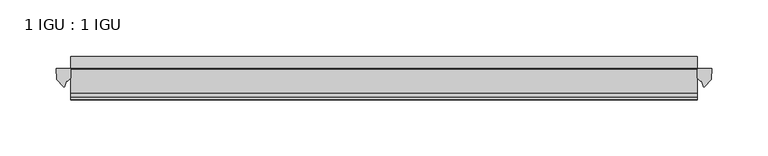
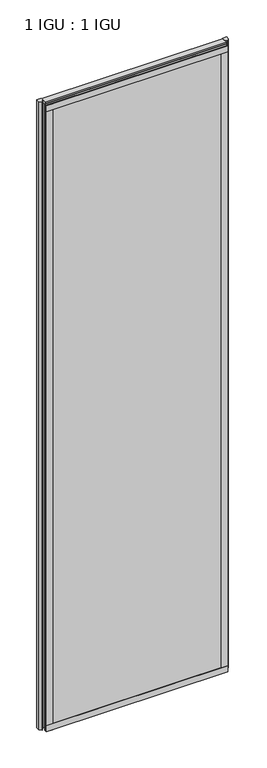
"""IFC4 building model written with IfcOpenShell, lengths in millimetres: plate geometry, 1 IGU : 1 IGU."""

import ifcopenshell
import ifcopenshell.guid

model = None  # the IFC model being written
_history = None  # IfcOwnerHistory: only IFC2X3 demands one
_inside = {}  # id of a spatial element -> (the spatial element, [elements in it])
_under = {}  # id of a project, library or spatial element -> (it, [spatial elements below it])
_declared = {}  # id of a project -> (the project, [libraries it declares])
_typed = {}  # id of a type object -> (the type object, [elements of that type])
_made_of = {}  # id of a material, layer set ... -> (it, [elements and type objects made of it])


def new_model(schema):
    """Start an empty IFC model of exactly this schema.

    Asked for "IFC4X3", IfcOpenShell would pick the latest addendum, in which some entities
    have other attributes; the version numbers below select the first issue.
    IFC2X3 requires an IfcOwnerHistory on every rooted entity: one is made here for all.
    """
    global model, _history
    if schema == "IFC4X3":
        model = ifcopenshell.file(schema_version=(4, 3, 0, 0))
    else:
        model = ifcopenshell.file(schema=schema)
    _inside.clear()
    _under.clear()
    _declared.clear()
    _typed.clear()
    _made_of.clear()
    _history = None
    if model.schema == "IFC2X3":
        org = make("IfcOrganization", Name="unknown")
        user = make(
            "IfcPersonAndOrganization",
            ThePerson=make("IfcPerson", FamilyName="unknown"),
            TheOrganization=org,
        )
        app = make(
            "IfcApplication",
            ApplicationDeveloper=org,
            Version="unknown",
            ApplicationFullName="unknown",
            ApplicationIdentifier="unknown",
        )
        _history = make(
            "IfcOwnerHistory",
            OwningUser=user,
            OwningApplication=app,
            ChangeAction="ADDED",
            CreationDate=0,
        )
    return model


def make(cls, **values):
    """One entity of the class cls with the attributes given. An attribute that is None is left unset."""
    return model.create_entity(
        cls, **{name: value for name, value in values.items() if value is not None}
    )


def rooted(cls, **values):
    """An entity with a GlobalId (a new one), such as an element, a storey or a relation."""
    return make(cls, GlobalId=ifcopenshell.guid.new(), OwnerHistory=_history, **values)


def si_unit(unit_type, name, prefix=None):
    """IfcSIUnit, for example si_unit("LENGTHUNIT", "METRE", prefix="MILLI")."""
    return make("IfcSIUnit", UnitType=unit_type, Prefix=prefix, Name=name)


def assignment(units):
    """IfcUnitAssignment: the units of a project."""
    return None if units is None else make("IfcUnitAssignment", Units=units)


def point(xyz):
    """IfcCartesianPoint."""
    return None if xyz is None else make("IfcCartesianPoint", Coordinates=xyz)


def direction(xyz):
    """IfcDirection."""
    return None if xyz is None else make("IfcDirection", DirectionRatios=xyz)


def frame(location, z_axis=None, x_axis=None):
    """IfcAxis2Placement3D, a coordinate frame: its origin and axes. An axis left out is left unset."""
    return make(
        "IfcAxis2Placement3D",
        Location=point(location),
        Axis=direction(z_axis),
        RefDirection=direction(x_axis),
    )


def frame_2d(location, x_axis=None):
    """IfcAxis2Placement2D, a coordinate frame in the plane: its origin and x axis."""
    return make(
        "IfcAxis2Placement2D", Location=point(location), RefDirection=direction(x_axis)
    )


def origin():
    """The frame at (0, 0, 0) with its axes left unset."""
    return frame((0.0, 0.0, 0.0))


def place(relative_to, where):
    """IfcLocalPlacement: puts the frame where relative to a parent placement (None: the world)."""
    return make(
        "IfcLocalPlacement", PlacementRelTo=relative_to, RelativePlacement=where
    )


def context(
    kind, dimensions, precision=None, world=None, true_north=None, identifier=None
):
    """IfcGeometricRepresentationContext, for example the 3D "Model" context."""
    return make(
        "IfcGeometricRepresentationContext",
        ContextIdentifier=identifier,
        ContextType=kind,
        CoordinateSpaceDimension=dimensions,
        Precision=precision,
        WorldCoordinateSystem=world,
        TrueNorth=true_north,
    )


def project(units=None, contexts=None):
    """IfcProject with its units and contexts."""
    return rooted(
        "IfcProject",
        Name="project",
        RepresentationContexts=contexts,
        UnitsInContext=assignment(units),
    )


def spatial(cls, under=None, at=None, **own):
    """A site, building, storey or space (cls), placed at a placement, below another one or the project."""
    s = rooted(cls, ObjectPlacement=at, **own)
    if under is not None:
        _under.setdefault(under.id(), (under, []))[1].append(s)
    return s


def polyline(points):
    """IfcPolyline through the points."""
    return make("IfcPolyline", Points=[point(p) for p in points])


def circle_curve(where, radius):
    """IfcCircle in the frame where."""
    return make("IfcCircle", Position=where, Radius=radius)


def ellipse_curve(where, semi_axis1, semi_axis2):
    """IfcEllipse in the frame where."""
    return make(
        "IfcEllipse", Position=where, SemiAxis1=semi_axis1, SemiAxis2=semi_axis2
    )


def trimmed(basis, trim1, trim2, sense, master):
    """IfcTrimmedCurve: the piece of a basis curve between two trims."""
    return make(
        "IfcTrimmedCurve",
        BasisCurve=basis,
        Trim1=trim1,
        Trim2=trim2,
        SenseAgreement=sense,
        MasterRepresentation=master,
    )


def segment(curve, same_sense, transition):
    """IfcCompositeCurveSegment."""
    return make(
        "IfcCompositeCurveSegment",
        Transition=transition,
        SameSense=same_sense,
        ParentCurve=curve,
    )


def composite_curve(segments, self_intersect=None):
    """IfcCompositeCurve: segments joined end to end."""
    return make("IfcCompositeCurve", Segments=segments, SelfIntersect=self_intersect)


def outline(outer, holes=None, kind="AREA"):
    """IfcArbitraryClosedProfileDef: a profile drawn as a closed curve; with holes, ...WithVoids."""
    if holes is None:
        return make("IfcArbitraryClosedProfileDef", ProfileType=kind, OuterCurve=outer)
    return make(
        "IfcArbitraryProfileDefWithVoids",
        ProfileType=kind,
        OuterCurve=outer,
        InnerCurves=holes,
    )


def extrude(swept, where, along, depth):
    """IfcExtrudedAreaSolid: the profile swept, set in the frame where, extruded along a direction by depth."""
    return make(
        "IfcExtrudedAreaSolid",
        SweptArea=swept,
        Position=where,
        ExtrudedDirection=direction(along),
        Depth=depth,
    )


def shape(context_of_items, identifier, shape_type, items):
    """IfcShapeRepresentation: the items that make up one representation, for example the "Body"."""
    return make(
        "IfcShapeRepresentation",
        ContextOfItems=context_of_items,
        RepresentationIdentifier=identifier,
        RepresentationType=shape_type,
        Items=items,
    )


def source(mapping_origin, context_of_items, identifier, shape_type, items):
    """IfcRepresentationMap: a shape defined once, which mapped items show again and again."""
    return make(
        "IfcRepresentationMap",
        MappingOrigin=mapping_origin,
        MappedRepresentation=shape(context_of_items, identifier, shape_type, items),
    )


def transform(
    local_origin,
    x_axis=None,
    y_axis=None,
    z_axis=None,
    scale=None,
    scale2=None,
    scale3=None,
    uniform=True,
):
    """IfcCartesianTransformationOperator3D, or its non-uniform kind. x_axis, y_axis, z_axis: its Axis1, 2, 3."""
    if uniform:
        return make(
            "IfcCartesianTransformationOperator3D",
            Axis1=direction(x_axis),
            Axis2=direction(y_axis),
            LocalOrigin=point(local_origin),
            Scale=scale,
            Axis3=direction(z_axis),
        )
    return make(
        "IfcCartesianTransformationOperator3DnonUniform",
        Axis1=direction(x_axis),
        Axis2=direction(y_axis),
        LocalOrigin=point(local_origin),
        Scale=scale,
        Axis3=direction(z_axis),
        Scale2=scale2,
        Scale3=scale3,
    )


def mapped(mapping_source, mapping_target):
    """IfcMappedItem: shows the shape of a source again, moved by a transform."""
    return make(
        "IfcMappedItem", MappingSource=mapping_source, MappingTarget=mapping_target
    )


def made_of(thing, what):
    """Note that an element or type object is made of a material, layer set ...; save() writes the relation."""
    if what is not None:
        _made_of.setdefault(what.id(), (what, []))[1].append(thing)
    return thing


def element(
    cls,
    number,
    at=None,
    inside=None,
    cuts=None,
    type_object=None,
    material=None,
    context=None,
    identifier="Body",
    shape_type=None,
    held_by="IfcProductDefinitionShape",
    body=None,
    shapes=None,
    **own,
):
    """One element of the class cls, such as IfcWall. Its Tag is "e" and its number.

    at: its placement. inside: the storey or other place that contains it. cuts: it is an
    opening in that element (IfcRelVoidsElement). A single representation is given by context,
    identifier, shape_type and body (its items); several are given by shapes. held_by: the class
    of the entity that holds the representations. save() writes the other relations.
    """
    e = rooted(cls, Tag="e%d" % number, ObjectPlacement=at, **own)
    if body is not None:
        shapes = [shape(context, identifier, shape_type, body)]
    if shapes is not None:
        e.Representation = make(held_by, Representations=shapes)
    if inside is not None:
        _inside.setdefault(inside.id(), (inside, []))[1].append(e)
    if cuts is not None:
        rooted(
            "IfcRelVoidsElement", RelatingBuildingElement=cuts, RelatedOpeningElement=e
        )
    if type_object is not None:
        _typed.setdefault(type_object.id(), (type_object, []))[1].append(e)
    return made_of(e, material)


def aggregate(whole, parts):
    """IfcRelAggregates: a whole, such as a stair, and the parts it consists of."""
    return rooted("IfcRelAggregates", RelatingObject=whole, RelatedObjects=parts)


def save(model, path):
    """Write the relations noted so far, then the file.

    IfcRelAggregates (storeys below a building ...), IfcRelContainedInSpatialStructure (elements
    in a storey), IfcRelDefinesByType, IfcRelAssociatesMaterial and IfcRelDeclares: one each for
    every whole, place, type object, material and project.
    """
    for whole, parts in _under.values():
        aggregate(whole, parts)
    for where, things in _inside.values():
        rooted(
            "IfcRelContainedInSpatialStructure",
            RelatedElements=things,
            RelatingStructure=where,
        )
    for kind, things in _typed.values():
        rooted("IfcRelDefinesByType", RelatedObjects=things, RelatingType=kind)
    for what, things in _made_of.values():
        rooted("IfcRelAssociatesMaterial", RelatedObjects=things, RelatingMaterial=what)
    for by, libraries in _declared.values():
        rooted("IfcRelDeclares", RelatingContext=by, RelatedDefinitions=libraries)
    model.write(path)


def plane_surface(at):
    """IfcPlane: the flat surface through the origin of the frame at, square to its z axis."""
    return make("IfcPlane", Position=at)


def cylinder_surface(at, radius):
    """IfcCylindricalSurface: all points at the distance radius from the z axis of the frame at."""
    return make("IfcCylindricalSurface", Position=at, Radius=radius)


def revolved_surface(curve, axis_point, axis_direction):
    """IfcSurfaceOfRevolution: the curve turned about the line through axis_point along axis_direction."""
    return make(
        "IfcSurfaceOfRevolution",
        SweptCurve=make("IfcArbitraryOpenProfileDef", ProfileType="CURVE", Curve=curve),
        AxisPosition=make("IfcAxis1Placement", Location=point(axis_point), Axis=direction(axis_direction)),
    )


def extruded_surface(curve, direction_of_extrusion, depth):
    """IfcSurfaceOfLinearExtrusion: the curve pushed along a direction by depth."""
    return make(
        "IfcSurfaceOfLinearExtrusion",
        SweptCurve=make("IfcArbitraryOpenProfileDef", ProfileType="CURVE", Curve=curve),
        ExtrudedDirection=direction(direction_of_extrusion),
        Depth=depth,
    )


def advanced_brep(points, edges, surfaces, faces):
    """IfcAdvancedBrep: a solid bounded by faces that lie on surfaces and meet in shared edges.

    An edge is (start, end): straight between two places in points (the first is 0);
    or (start, end, curve); or (start, end, curve, False) where it runs against its curve.
    A face is (place in surfaces, loops), or (place, loops, False) where it looks against
    its surface's normal. A loop lists edges by number (the first is 1), with a minus sign
    where the edge is run from its end to its start. The first loop is the outer one.
    """
    corners = [point(p) for p in points]
    vertices = [make("IfcVertexPoint", VertexGeometry=c) for c in corners]
    made = []
    for start, end, *more in edges:
        made.append(
            make(
                "IfcEdgeCurve",
                EdgeStart=vertices[start],
                EdgeEnd=vertices[end],
                EdgeGeometry=more[0] if more else make("IfcPolyline", Points=[corners[start], corners[end]]),
                SameSense=more[1] if len(more) > 1 else True,
            )
        )
    hull = []
    for where, loops, *sense in faces:
        bounds = []
        for j, loop in enumerate(loops):
            ring = [make("IfcOrientedEdge", EdgeElement=made[abs(k) - 1], Orientation=k > 0) for k in loop]
            bounds.append(
                make(
                    "IfcFaceOuterBound" if j == 0 else "IfcFaceBound",
                    Bound=make("IfcEdgeLoop", EdgeList=ring),
                    Orientation=True,
                )
            )
        hull.append(make("IfcAdvancedFace", Bounds=bounds, FaceSurface=surfaces[where], SameSense=sense[0] if sense else True))
    return make("IfcAdvancedBrep", Outer=make("IfcClosedShell", CfsFaces=hull))


def plate_1_igu_1_igu_afe9c268(model_context):
    return source(origin(), model_context, "Body", "SolidModel", [
        extrude(outline(polyline([(278.9019599, -11.6085937), (278.9019599, -18.8576359), (-278.9019599, -18.8576359), (-278.9019599, -11.6085937), (278.9019599, -11.6085937)])), frame((0.0, 0.0, -19.05), z_axis=(0.0, 0.0, 1.0), x_axis=(1.0, 0.0, 0.0)), (0.0, 0.0, 1.0), 2038.3500001),
        extrude(outline(polyline([(-278.9019599, -30.7093937), (278.9019599, -30.7093937), (278.9019599, -37.0085937), (-278.9019599, -37.0085937), (-278.9019599, -30.7093937)])), frame((0.0, 0.0, -19.05), z_axis=(0.0, 0.0, 1.0), x_axis=(1.0, 0.0, 0.0)), (0.0, 0.0, 1.0), 2038.3500001),
        extrude(outline(composite_curve([segment(polyline([(291.979869, -11.6101465), (291.6019599, -21.3502133), (285.6639066, -27.6095865)]), True, "CONTINUOUS"), segment(trimmed(circle_curve(frame_2d((284.9911005, -27.2518492)), 0.762), [point((285.6639066, -27.6095865))], [point((284.2623963, -27.4746364))], False, "CARTESIAN"), True, "CONTINUOUS"), segment(polyline([(284.2623963, -27.4746364), (283.0005617, -23.3488397)]), True, "CONTINUOUS"), segment(trimmed(circle_curve(frame_2d((285.1825189, -16.3834724)), 7.2991286), [point((283.0005617, -23.3488397))], [point((278.9021385, -20.1028944))], False, "CARTESIAN"), True, "CONTINUOUS"), segment(polyline([(278.9021385, -20.1028944), (278.9021385, -12.664425)]), True, "CONTINUOUS"), segment(trimmed(circle_curve(frame_2d((285.183393, -16.3827796)), 7.2993369), [point((278.9021385, -12.664425))], [point((279.6605049, -11.6101465))], False, "CARTESIAN"), True, "CONTINUOUS"), segment(polyline([(279.6605049, -11.6101465), (291.979869, -11.6101465)]), True, "CONTINUOUS")], self_intersect=False)), frame((0.0, 0.0, -19.05), z_axis=(0.0, 0.0, 1.0), x_axis=(1.0, 0.0, 0.0)), (0.0, 0.0, 1.0), 2045.4874001),
        extrude(outline(composite_curve([segment(polyline([(-278.9019599, -11.610702), (-278.9019599, -20.1014769)]), True, "CONTINUOUS"), segment(trimmed(circle_curve(frame_2d((-285.1831542, -16.3829847)), 7.2993552), [point((-278.9019599, -20.1014769))], [point((-283.0009096, -23.3484994))], False, "CARTESIAN"), True, "CONTINUOUS"), segment(polyline([(-283.0009096, -23.3484994), (-284.2623963, -27.4746364)]), True, "CONTINUOUS"), segment(trimmed(circle_curve(frame_2d((-284.9911005, -27.2518492)), 0.762), [point((-284.2623963, -27.4746364))], [point((-285.6639066, -27.6095865))], False, "CARTESIAN"), True, "CONTINUOUS"), segment(polyline([(-285.6639066, -27.6095865), (-291.6019599, -21.3502133), (-291.979869, -11.610702), (-278.9019599, -11.610702)]), True, "CONTINUOUS")], self_intersect=False)), frame((0.0, 0.0, -19.05), z_axis=(0.0, 0.0, 1.0), x_axis=(1.0, 0.0, 0.0)), (0.0, 0.0, 1.0), 2045.4874001),
        extrude(outline(polyline([(-11.6085937, -15.24), (-11.6085937, 2.8161565), (-0.5298609, 1.2591422), (-0.5298609, -0.6645794), (-5.258589, 0.0), (-5.258589, -4.826), (-1.575589, -4.826), (-1.575589, -7.874), (-5.258589, -7.874), (-5.258589, -13.208), (-3.099589, -13.208), (-3.099589, -15.24), (-11.6085937, -15.24)])), frame((-278.9019599, 0.0, 0.0), z_axis=(1.0, 0.0, 0.0), x_axis=(0.0, 1.0, 0.0)), (0.0, 0.0, 1.0), 557.8039197),
        extrude(outline(polyline([(-278.9019599, -39.2945937), (-278.9019599, -37.0085937), (278.9019599, -37.0085937), (278.9019599, -39.2945937), (-278.9019599, -39.2945937)])), frame((0.0, 0.0, -19.05), z_axis=(0.0, 0.0, 1.0), x_axis=(1.0, 0.0, 0.0)), (0.0, 0.0, 1.0), 19.05),
        advanced_brep(
        [(-278.9019599, -24.3085937, 2018.1276629), (-278.9019599, -33.4116395, 2026.4374001), (-278.9019599, -12.7165288, 2026.4374001), (-278.9019599, -11.6085937, 2019.3000001), (-278.9019599, -17.9077937, 2019.3000001), (278.9019599, -24.3085937, 2018.1276629), (278.9019599, -17.9077937, 2019.3000001), (278.9019599, -11.6085937, 2019.3000001), (278.9019599, -12.7165288, 2026.4374001), (278.9019599, -33.4116395, 2026.4374001)],
        [
            (0, 1, ellipse_curve(frame((-278.9019599, -24.3085937, 2028.8250001), z_axis=(-1.0, 0.0, 0.0), x_axis=(0.0, 0.0, -1.0)), 10.6973372, 9.3386252)),
            (1, 2),
            (2, 3, circle_curve(frame((-278.9019599, 26.2083666, 2028.8250001), z_axis=(1.0, 0.0, 0.0), x_axis=(0.0, 0.0, -1.0)), 38.9980527)),
            (3, 4),
            (4, 0, circle_curve(frame((-278.9019599, -24.3085937, 2036.1875764), z_axis=(-1.0, 0.0, 0.0), x_axis=(0.0, 0.0, -1.0)), 18.0599135)),
            (5, 6, circle_curve(frame((278.9019599, -24.3085937, 2036.1875764), z_axis=(1.0, 0.0, 0.0), x_axis=(0.0, 0.0, -1.0)), 18.0599135)),
            (6, 7),
            (7, 8, circle_curve(frame((278.9019599, 26.2083666, 2028.8250001), z_axis=(-1.0, 0.0, 0.0), x_axis=(0.0, 0.0, -1.0)), 38.9980527)),
            (8, 9),
            (9, 5, ellipse_curve(frame((278.9019599, -24.3085937, 2028.8250001), z_axis=(1.0, 0.0, 0.0), x_axis=(0.0, 0.0, -1.0)), 10.6973372, 9.3386252)),
            (0, 5),
            (9, 1),
            (8, 2),
            (7, 3),
            (6, 4),
        ],
        [
            plane_surface(frame((-278.9019599, -9.2273437, 2028.8250001), z_axis=(-1.0, 0.0, 0.0), x_axis=(0.0, 1.0, 0.0))),
            plane_surface(frame((278.9019599, -9.2273438, 2028.8250001), z_axis=(1.0, 0.0, 0.0), x_axis=(0.0, 1.0, 0.0))),
            extruded_surface(trimmed(ellipse_curve(frame((278.9019599, -24.3085937, 2028.8250001), z_axis=(-1.0, 0.0, 0.0), x_axis=(0.0, 0.0, -1.0)), 10.6973372, 9.3386252), [point((278.9019599, -24.3085937, 2018.1276629))], [point((278.9019599, -33.4116395, 2026.4374001))], True, "CARTESIAN"), (-557.8039198, 0.0, 0.0), 557.8039198),
            plane_surface(frame((-278.9019599, -33.4116395, 2026.4374001), z_axis=(0.0, 0.0, 1.0), x_axis=(1.0, 0.0, 0.0))),
            revolved_surface(polyline([(278.9019599, 26.2083666, 1989.8269473999999), (-278.9019599, 26.2083666, 1989.8269473999999)]), (-278.9019599, 26.2083666, 2028.8250001), (1.0, 0.0, 0.0)),
            plane_surface(frame((-278.9019599, -11.6085937, 2019.3000001), z_axis=(0.0, 0.0, -1.0), x_axis=(1.0, 0.0, 0.0))),
            cylinder_surface(frame((-278.9019599, -24.3085937, 2036.1875764), z_axis=(-1.0, 0.0, 0.0), x_axis=(0.0, 0.0, -1.0)), 18.0599135),
        ],
        [
            (0, [[1, 2, 3, 4, 5]]),
            (1, [[6, 7, 8, 9, 10]]),
            (2, [[-1, 11, -10, 12]]),
            (3, [[-2, -12, -9, 13]]),
            (4, [[-3, -13, -8, 14]]),
            (5, [[-4, -14, -7, 15]]),
            (6, [[-5, -15, -6, -11]]),
        ],
    ),
        extrude(outline(polyline([(-278.9019599, -39.2945937), (-278.9019599, -37.0085937), (278.9019599, -37.0085937), (278.9019599, -39.2945937), (-278.9019599, -39.2945937)])), frame((0.0, 0.0, 2000.2500001), z_axis=(0.0, 0.0, 1.0), x_axis=(1.0, 0.0, 0.0)), (0.0, 0.0, 1.0), 19.05),
        extrude(outline(polyline([(259.8519599, -37.0085937), (278.9019599, -37.0085937), (278.9019599, -39.2945938), (259.8519599, -39.2945938), (259.8519599, -37.0085937)])), frame((0.0, 0.0, -19.05), z_axis=(0.0, 0.0, 1.0), x_axis=(1.0, 0.0, 0.0)), (0.0, 0.0, 1.0), 2038.3500001),
        extrude(outline(polyline([(-278.9019599, -39.2945937), (-278.9019599, -37.0085937), (-259.8519599, -37.0085937), (-259.8519599, -39.2945937), (-278.9019599, -39.2945937)])), frame((0.0, 0.0, -19.05), z_axis=(0.0, 0.0, 1.0), x_axis=(1.0, 0.0, 0.0)), (0.0, 0.0, 1.0), 2038.3500001),
    ])


if __name__ == "__main__":
    model = new_model("IFC4")
    model_context = context("Model", 3, world=origin())
    ifc_project = project(units=[si_unit("LENGTHUNIT", "METRE", prefix="MILLI")], contexts=[model_context])
    site = spatial("IfcSite", under=ifc_project)
    building = spatial("IfcBuilding", under=site)
    placement = place(None, origin())
    plate_1_igu_1_igu_shape = plate_1_igu_1_igu_afe9c268(model_context)
    element("IfcPlate", 1, ObjectType="1 IGU : 1 IGU", at=placement, inside=building, context=model_context, shape_type="MappedRepresentation", body=[
        mapped(plate_1_igu_1_igu_shape, transform((0.0, 0.0, 0.0), x_axis=(1.0, 0.0, 0.0), y_axis=(0.0, 1.0, 0.0), z_axis=(0.0, 0.0, 1.0))),
    ])
    save(model, "model.ifc")
